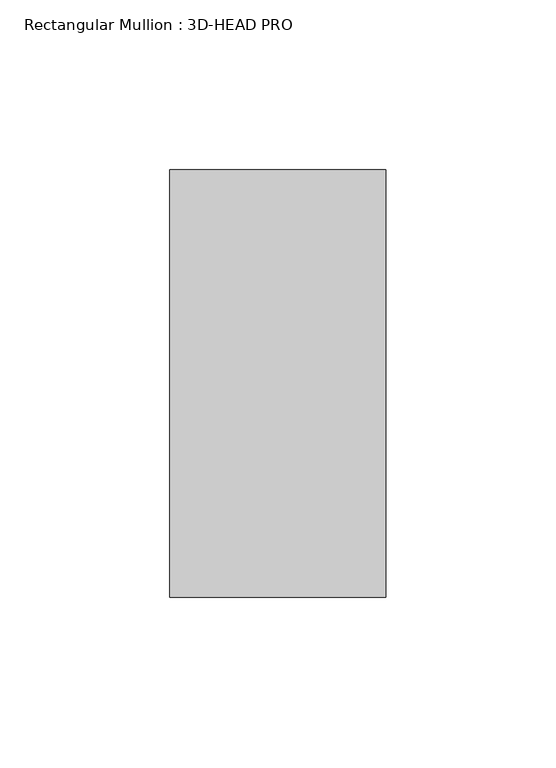
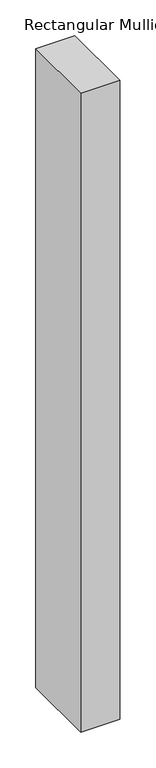
"""IFC4 building model written with IfcOpenShell, lengths in millimetres: member geometry, Rectangular Mullion : 3D-HEAD PRO."""

from ifc_helpers import new_model, si_unit, frame, origin, place, context, project, spatial, polyline, outline, extrude, source, transform, mapped, element, save


def rectangular_mullion_3d_head_pro_22bfccd4(model_context):
    return source(origin(), model_context, "Body", "SweptSolid", [
        extrude(outline(polyline([(0.0, -63.1484771), (-63.5, -63.1484771), (-63.5, 62.6323229), (0.0, 62.6323229), (0.0, -63.1484771)])), frame((0.0, 0.0, -1092.2), z_axis=(0.0, 0.0, 1.0), x_axis=(1.0, 0.0, 0.0)), (0.0, 0.0, 1.0), 1092.2),
    ])


if __name__ == "__main__":
    model = new_model("IFC4")
    model_context = context("Model", 3, world=origin())
    ifc_project = project(units=[si_unit("LENGTHUNIT", "METRE", prefix="MILLI")], contexts=[model_context])
    site = spatial("IfcSite", under=ifc_project)
    building = spatial("IfcBuilding", under=site)
    placement = place(None, origin())
    rectangular_mullion_3d_head_pro_shape = rectangular_mullion_3d_head_pro_22bfccd4(model_context)
    element("IfcMember", 1, ObjectType="Rectangular Mullion : 3D-HEAD PRO", at=placement, inside=building, context=model_context, shape_type="MappedRepresentation", body=[
        mapped(rectangular_mullion_3d_head_pro_shape, transform((0.0, 0.0, 0.0), x_axis=(1.0, 0.0, 0.0), y_axis=(0.0, 1.0, 0.0), z_axis=(0.0, 0.0, 1.0))),
    ])
    save(model, "model.ifc")
